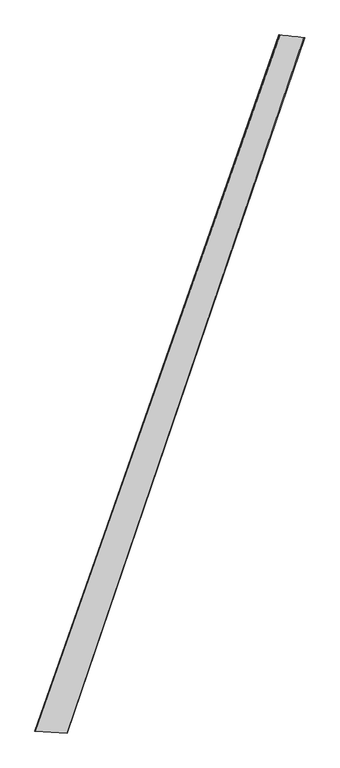
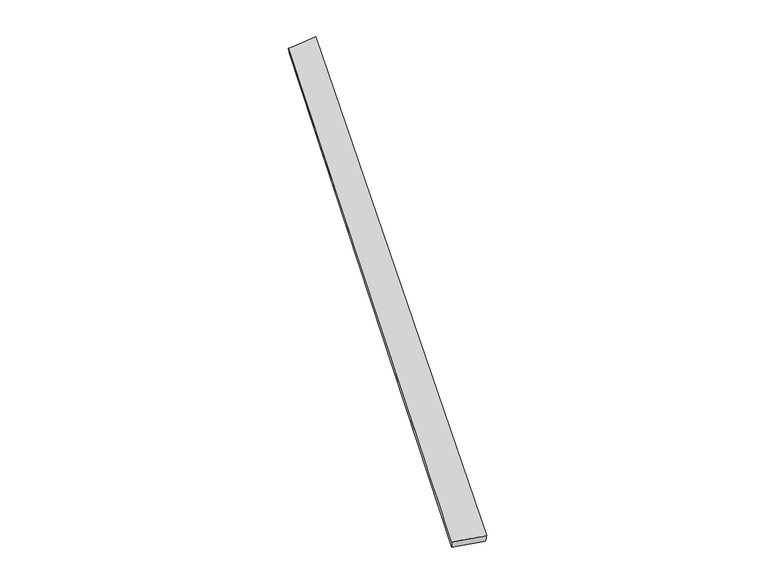
"""IFC4 building model written with IfcOpenShell, lengths in millimetres: proxy geometry."""

from ifc_helpers import new_model, si_unit, origin, place, context, project, spatial, source, transform, mapped, element, save
from ifc_brep_helpers import spline_surface, advanced_brep


def generic_models_023012e6(model_context):
    return source(origin(), model_context, "Body", "AdvancedBrep", [
        advanced_brep(
        [(-705.9061376, -1788.2955485, 10.9454511), (-704.1750415, -1788.7204263, 40.8924507), (689.0588903, 2182.75576, 15.7445092), (694.4541725, 2180.6694208, -13.6925103), (-520.1311107, -1799.7779093, 18.5669861), (830.9127221, 2167.267002, 43.1457257), (-525.0311431, -1797.9106602, -10.9711767), (836.4831082, 2165.5367879, 13.7182359)],
        [
            (0, 1),
            (1, 2),
            (2, 3),
            (3, 0),
            (1, 4),
            (4, 5),
            (5, 2),
            (4, 6),
            (6, 7),
            (7, 5),
            (6, 0),
            (3, 7),
        ],
        [
            spline_surface(1, 1, [[(-705.9061376, -1788.2955485, 10.9454511), (694.4541725, 2180.6694208, -13.6925103)], [(-704.1750415, -1788.7204263, 40.8924507), (689.0588903, 2182.75576, 15.7445092)]], [2, 2], [2, 2], [0.0, 1.0], [0.0, 1.0]),
            spline_surface(1, 1, [[(-704.1750415, -1788.7204263, 40.8924507), (689.0588903, 2182.75576, 15.7445092)], [(-520.1311107, -1799.7779093, 18.5669861), (830.9127221, 2167.267002, 43.1457257)]], [2, 2], [2, 2], [0.0, 1.0], [0.0, 1.0]),
            spline_surface(1, 1, [[(-520.1311107, -1799.7779093, 18.5669861), (830.9127221, 2167.267002, 43.1457257)], [(-525.0311431, -1797.9106602, -10.9711767), (836.4831082, 2165.5367879, 13.7182359)]], [2, 2], [2, 2], [0.0, 1.0], [0.0, 1.0]),
            spline_surface(1, 1, [[(-525.0311431, -1797.9106602, -10.9711767), (836.4831082, 2165.5367879, 13.7182359)], [(-705.9061376, -1788.2955485, 10.9454511), (694.4541725, 2180.6694208, -13.6925103)]], [2, 2], [2, 2], [0.0, 1.0], [0.0, 1.0]),
            spline_surface(1, 1, [[(689.0588903, 2182.75576, 15.7445092), (694.4541725, 2180.6694208, -13.6925103)], [(830.9127221, 2167.267002, 43.1457257), (836.4831082, 2165.5367879, 13.7182359)]], [2, 2], [2, 2], [0.0, 1.0], [0.0, 1.0]),
            spline_surface(1, 1, [[(-525.0311431, -1797.9106602, -10.9711767), (-705.9061376, -1788.2955485, 10.9454511)], [(-520.1311107, -1799.7779093, 18.5669861), (-704.1750415, -1788.7204263, 40.8924507)]], [2, 2], [2, 2], [0.0, 1.0], [0.0, 1.0]),
        ],
        [
            (0, [[1, 2, 3, 4]]),
            (1, [[5, 6, 7, -2]]),
            (2, [[8, 9, 10, -6]]),
            (3, [[11, -4, 12, -9]]),
            (4, [[-3, -7, -10, -12]]),
            (5, [[-11, -8, -5, -1]]),
        ],
    ),
    ])


if __name__ == "__main__":
    model = new_model("IFC4")
    model_context = context("Model", 3, world=origin())
    ifc_project = project(units=[si_unit("LENGTHUNIT", "METRE", prefix="MILLI")], contexts=[model_context])
    site = spatial("IfcSite", under=ifc_project)
    building = spatial("IfcBuilding", under=site)
    placement = place(None, origin())
    generic_models_shape = generic_models_023012e6(model_context)
    element("IfcBuildingElementProxy", 1, Name="Generic Models", at=placement, inside=building, context=model_context, shape_type="MappedRepresentation", body=[
        mapped(generic_models_shape, transform((0.0, 0.0, 0.0), x_axis=(1.0, 0.0, 0.0), y_axis=(0.0, 1.0, 0.0), z_axis=(0.0, 0.0, 1.0))),
    ])
    save(model, "model.ifc")
